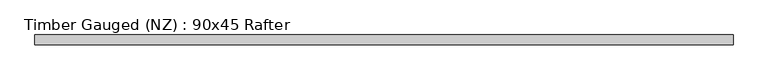
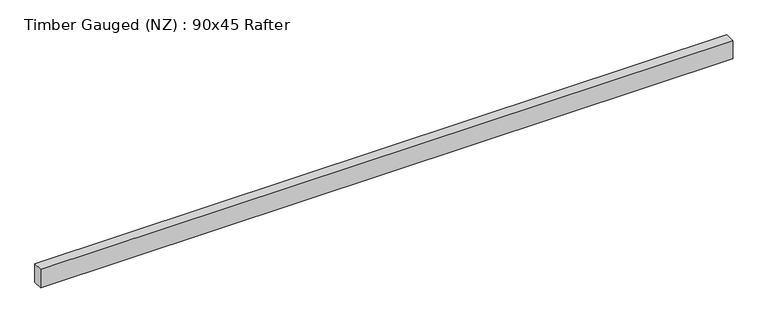
"""IFC4 building model written with IfcOpenShell, lengths in millimetres: beam geometry, Timber Gauged (NZ) : 90x45 Rafter."""

from ifc_helpers import new_model, si_unit, frame, origin, place, context, project, spatial, polyline, outline, extrude, source, transform, mapped, element, save


def timber_gauged_nz_90x45_rafter_cf931298(model_context):
    return source(origin(), model_context, "Body", "SweptSolid", [
        extrude(outline(polyline([(1622.5, 22.5), (1622.5, -22.5), (-1567.8306924, -22.5), (-1567.8306924, 22.5), (1622.5, 22.5)])), frame((0.0, 0.0, -45.0), z_axis=(0.0, 0.0, 1.0), x_axis=(1.0, 0.0, 0.0)), (0.0, 0.0, 1.0), 90.0),
    ])


if __name__ == "__main__":
    model = new_model("IFC4")
    model_context = context("Model", 3, world=origin())
    ifc_project = project(units=[si_unit("LENGTHUNIT", "METRE", prefix="MILLI")], contexts=[model_context])
    site = spatial("IfcSite", under=ifc_project)
    building = spatial("IfcBuilding", under=site)
    placement = place(None, origin())
    timber_gauged_nz_90x45_rafter_shape = timber_gauged_nz_90x45_rafter_cf931298(model_context)
    element("IfcBeam", 1, ObjectType="Timber Gauged (NZ) : 90x45 Rafter", at=placement, inside=building, context=model_context, shape_type="MappedRepresentation", body=[
        mapped(timber_gauged_nz_90x45_rafter_shape, transform((0.0, 0.0, 0.0), x_axis=(1.0, 0.0, 0.0), y_axis=(0.0, 1.0, 0.0), z_axis=(0.0, 0.0, 1.0))),
    ])
    save(model, "model.ifc")
